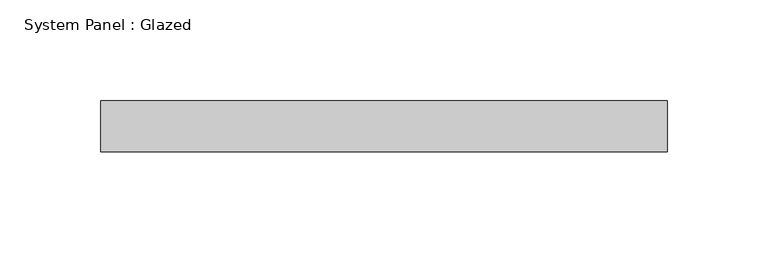
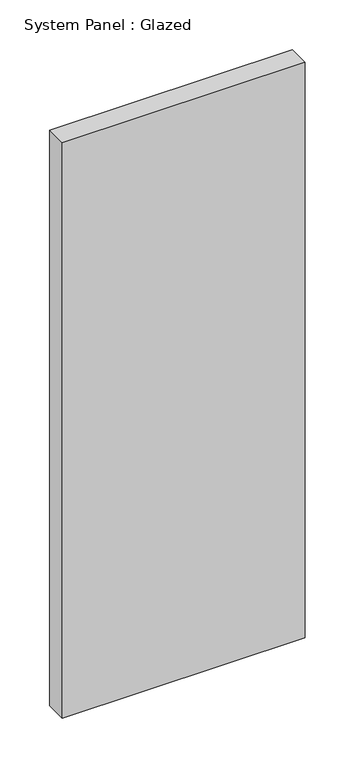
"""IFC4 building model written with IfcOpenShell, lengths in millimetres: plate geometry, System Panel : Glazed."""

import ifcopenshell
import ifcopenshell.guid

model = None  # the IFC model being written
_history = None  # IfcOwnerHistory: only IFC2X3 demands one
_inside = {}  # id of a spatial element -> (the spatial element, [elements in it])
_under = {}  # id of a project, library or spatial element -> (it, [spatial elements below it])
_declared = {}  # id of a project -> (the project, [libraries it declares])
_typed = {}  # id of a type object -> (the type object, [elements of that type])
_made_of = {}  # id of a material, layer set ... -> (it, [elements and type objects made of it])


def new_model(schema):
    """Start an empty IFC model of exactly this schema.

    Asked for "IFC4X3", IfcOpenShell would pick the latest addendum, in which some entities
    have other attributes; the version numbers below select the first issue.
    IFC2X3 requires an IfcOwnerHistory on every rooted entity: one is made here for all.
    """
    global model, _history
    if schema == "IFC4X3":
        model = ifcopenshell.file(schema_version=(4, 3, 0, 0))
    else:
        model = ifcopenshell.file(schema=schema)
    _inside.clear()
    _under.clear()
    _declared.clear()
    _typed.clear()
    _made_of.clear()
    _history = None
    if model.schema == "IFC2X3":
        org = make("IfcOrganization", Name="unknown")
        user = make(
            "IfcPersonAndOrganization",
            ThePerson=make("IfcPerson", FamilyName="unknown"),
            TheOrganization=org,
        )
        app = make(
            "IfcApplication",
            ApplicationDeveloper=org,
            Version="unknown",
            ApplicationFullName="unknown",
            ApplicationIdentifier="unknown",
        )
        _history = make(
            "IfcOwnerHistory",
            OwningUser=user,
            OwningApplication=app,
            ChangeAction="ADDED",
            CreationDate=0,
        )
    return model


def make(cls, **values):
    """One entity of the class cls with the attributes given. An attribute that is None is left unset."""
    return model.create_entity(
        cls, **{name: value for name, value in values.items() if value is not None}
    )


def rooted(cls, **values):
    """An entity with a GlobalId (a new one), such as an element, a storey or a relation."""
    return make(cls, GlobalId=ifcopenshell.guid.new(), OwnerHistory=_history, **values)


def si_unit(unit_type, name, prefix=None):
    """IfcSIUnit, for example si_unit("LENGTHUNIT", "METRE", prefix="MILLI")."""
    return make("IfcSIUnit", UnitType=unit_type, Prefix=prefix, Name=name)


def assignment(units):
    """IfcUnitAssignment: the units of a project."""
    return None if units is None else make("IfcUnitAssignment", Units=units)


def point(xyz):
    """IfcCartesianPoint."""
    return None if xyz is None else make("IfcCartesianPoint", Coordinates=xyz)


def direction(xyz):
    """IfcDirection."""
    return None if xyz is None else make("IfcDirection", DirectionRatios=xyz)


def frame(location, z_axis=None, x_axis=None):
    """IfcAxis2Placement3D, a coordinate frame: its origin and axes. An axis left out is left unset."""
    return make(
        "IfcAxis2Placement3D",
        Location=point(location),
        Axis=direction(z_axis),
        RefDirection=direction(x_axis),
    )


def origin():
    """The frame at (0, 0, 0) with its axes left unset."""
    return frame((0.0, 0.0, 0.0))


def origin_with_axes():
    """The frame at (0, 0, 0) with the z axis (0, 0, 1) and the x axis (1, 0, 0) written out."""
    return frame((0.0, 0.0, 0.0), z_axis=(0.0, 0.0, 1.0), x_axis=(1.0, 0.0, 0.0))


def place(relative_to, where):
    """IfcLocalPlacement: puts the frame where relative to a parent placement (None: the world)."""
    return make(
        "IfcLocalPlacement", PlacementRelTo=relative_to, RelativePlacement=where
    )


def context(
    kind, dimensions, precision=None, world=None, true_north=None, identifier=None
):
    """IfcGeometricRepresentationContext, for example the 3D "Model" context."""
    return make(
        "IfcGeometricRepresentationContext",
        ContextIdentifier=identifier,
        ContextType=kind,
        CoordinateSpaceDimension=dimensions,
        Precision=precision,
        WorldCoordinateSystem=world,
        TrueNorth=true_north,
    )


def project(units=None, contexts=None):
    """IfcProject with its units and contexts."""
    return rooted(
        "IfcProject",
        Name="project",
        RepresentationContexts=contexts,
        UnitsInContext=assignment(units),
    )


def spatial(cls, under=None, at=None, **own):
    """A site, building, storey or space (cls), placed at a placement, below another one or the project."""
    s = rooted(cls, ObjectPlacement=at, **own)
    if under is not None:
        _under.setdefault(under.id(), (under, []))[1].append(s)
    return s


def polyline(points):
    """IfcPolyline through the points."""
    return make("IfcPolyline", Points=[point(p) for p in points])


def outline(outer, holes=None, kind="AREA"):
    """IfcArbitraryClosedProfileDef: a profile drawn as a closed curve; with holes, ...WithVoids."""
    if holes is None:
        return make("IfcArbitraryClosedProfileDef", ProfileType=kind, OuterCurve=outer)
    return make(
        "IfcArbitraryProfileDefWithVoids",
        ProfileType=kind,
        OuterCurve=outer,
        InnerCurves=holes,
    )


def extrude(swept, where, along, depth):
    """IfcExtrudedAreaSolid: the profile swept, set in the frame where, extruded along a direction by depth."""
    return make(
        "IfcExtrudedAreaSolid",
        SweptArea=swept,
        Position=where,
        ExtrudedDirection=direction(along),
        Depth=depth,
    )


def shape(context_of_items, identifier, shape_type, items):
    """IfcShapeRepresentation: the items that make up one representation, for example the "Body"."""
    return make(
        "IfcShapeRepresentation",
        ContextOfItems=context_of_items,
        RepresentationIdentifier=identifier,
        RepresentationType=shape_type,
        Items=items,
    )


def source(mapping_origin, context_of_items, identifier, shape_type, items):
    """IfcRepresentationMap: a shape defined once, which mapped items show again and again."""
    return make(
        "IfcRepresentationMap",
        MappingOrigin=mapping_origin,
        MappedRepresentation=shape(context_of_items, identifier, shape_type, items),
    )


def transform(
    local_origin,
    x_axis=None,
    y_axis=None,
    z_axis=None,
    scale=None,
    scale2=None,
    scale3=None,
    uniform=True,
):
    """IfcCartesianTransformationOperator3D, or its non-uniform kind. x_axis, y_axis, z_axis: its Axis1, 2, 3."""
    if uniform:
        return make(
            "IfcCartesianTransformationOperator3D",
            Axis1=direction(x_axis),
            Axis2=direction(y_axis),
            LocalOrigin=point(local_origin),
            Scale=scale,
            Axis3=direction(z_axis),
        )
    return make(
        "IfcCartesianTransformationOperator3DnonUniform",
        Axis1=direction(x_axis),
        Axis2=direction(y_axis),
        LocalOrigin=point(local_origin),
        Scale=scale,
        Axis3=direction(z_axis),
        Scale2=scale2,
        Scale3=scale3,
    )


def mapped(mapping_source, mapping_target):
    """IfcMappedItem: shows the shape of a source again, moved by a transform."""
    return make(
        "IfcMappedItem", MappingSource=mapping_source, MappingTarget=mapping_target
    )


def made_of(thing, what):
    """Note that an element or type object is made of a material, layer set ...; save() writes the relation."""
    if what is not None:
        _made_of.setdefault(what.id(), (what, []))[1].append(thing)
    return thing


def element(
    cls,
    number,
    at=None,
    inside=None,
    cuts=None,
    type_object=None,
    material=None,
    context=None,
    identifier="Body",
    shape_type=None,
    held_by="IfcProductDefinitionShape",
    body=None,
    shapes=None,
    **own,
):
    """One element of the class cls, such as IfcWall. Its Tag is "e" and its number.

    at: its placement. inside: the storey or other place that contains it. cuts: it is an
    opening in that element (IfcRelVoidsElement). A single representation is given by context,
    identifier, shape_type and body (its items); several are given by shapes. held_by: the class
    of the entity that holds the representations. save() writes the other relations.
    """
    e = rooted(cls, Tag="e%d" % number, ObjectPlacement=at, **own)
    if body is not None:
        shapes = [shape(context, identifier, shape_type, body)]
    if shapes is not None:
        e.Representation = make(held_by, Representations=shapes)
    if inside is not None:
        _inside.setdefault(inside.id(), (inside, []))[1].append(e)
    if cuts is not None:
        rooted(
            "IfcRelVoidsElement", RelatingBuildingElement=cuts, RelatedOpeningElement=e
        )
    if type_object is not None:
        _typed.setdefault(type_object.id(), (type_object, []))[1].append(e)
    return made_of(e, material)


def aggregate(whole, parts):
    """IfcRelAggregates: a whole, such as a stair, and the parts it consists of."""
    return rooted("IfcRelAggregates", RelatingObject=whole, RelatedObjects=parts)


def save(model, path):
    """Write the relations noted so far, then the file.

    IfcRelAggregates (storeys below a building ...), IfcRelContainedInSpatialStructure (elements
    in a storey), IfcRelDefinesByType, IfcRelAssociatesMaterial and IfcRelDeclares: one each for
    every whole, place, type object, material and project.
    """
    for whole, parts in _under.values():
        aggregate(whole, parts)
    for where, things in _inside.values():
        rooted(
            "IfcRelContainedInSpatialStructure",
            RelatedElements=things,
            RelatingStructure=where,
        )
    for kind, things in _typed.values():
        rooted("IfcRelDefinesByType", RelatedObjects=things, RelatingType=kind)
    for what, things in _made_of.values():
        rooted("IfcRelAssociatesMaterial", RelatedObjects=things, RelatingMaterial=what)
    for by, libraries in _declared.values():
        rooted("IfcRelDeclares", RelatingContext=by, RelatedDefinitions=libraries)
    model.write(path)


def system_panel_glazed_b4b676a1(model_context):
    return source(origin(), model_context, "Body", "SweptSolid", [
        extrude(outline(polyline([(140.7583333, -12.7), (-140.7583333, -12.7), (-140.7583333, 12.7), (140.7583333, 12.7), (140.7583333, -12.7)])), origin_with_axes(), (0.0, 0.0, 1.0), 704.85),
    ])


if __name__ == "__main__":
    model = new_model("IFC4")
    model_context = context("Model", 3, world=origin())
    ifc_project = project(units=[si_unit("LENGTHUNIT", "METRE", prefix="MILLI")], contexts=[model_context])
    site = spatial("IfcSite", under=ifc_project)
    building = spatial("IfcBuilding", under=site)
    placement = place(None, origin())
    system_panel_glazed_shape = system_panel_glazed_b4b676a1(model_context)
    element("IfcPlate", 1, ObjectType="System Panel : Glazed", at=placement, inside=building, context=model_context, shape_type="MappedRepresentation", body=[
        mapped(system_panel_glazed_shape, transform((0.0, 0.0, 0.0), x_axis=(1.0, 0.0, 0.0), y_axis=(0.0, 1.0, 0.0), z_axis=(0.0, 0.0, 1.0))),
    ])
    save(model, "model.ifc")
